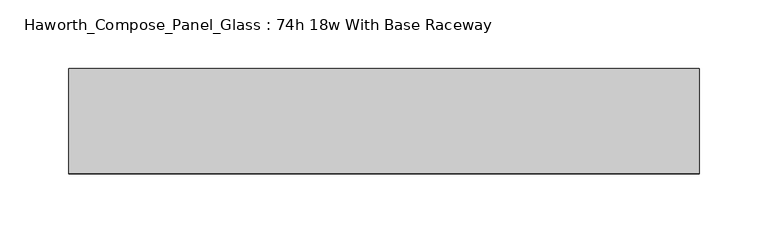
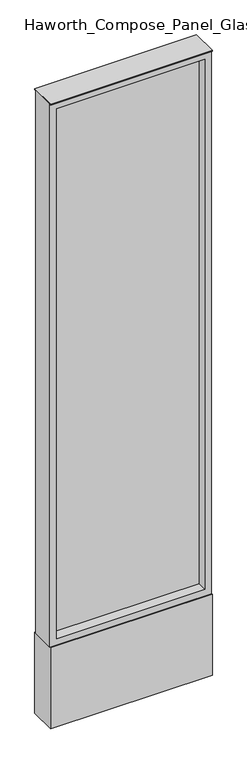
"""IFC4 building model written with IfcOpenShell, lengths in millimetres: furniture geometry, Haworth_Compose_Panel_Glass : 74h 18w With Base Raceway."""

from ifc_helpers import new_model, si_unit, point, frame, frame_2d, origin, origin_with_axes, place, context, project, spatial, polyline, circle_curve, trimmed, segment, composite_curve, outline, extrude, source, transform, mapped, element, save


def haworth_compose_panel_glass_74h_18w_with_base_raceway_08936266(model_context):
    return source(origin(), model_context, "Body", "SweptSolid", [
        extrude(outline(composite_curve([segment(trimmed(circle_curve(frame_2d((154.8402902, 0.0)), 12.7), [point((142.1402902, 0.0))], [point((167.5402902, 0.0))], False, "CARTESIAN"), True, "CONTINUOUS"), segment(trimmed(circle_curve(frame_2d((154.8402902, 0.0)), 12.7), [point((167.5402902, 0.0))], [point((142.1402902, 0.0))], False, "CARTESIAN"), True, "CONTINUOUS")], self_intersect=False)), origin_with_axes(), (0.0, 0.0, 1.0), 12.7),
        extrude(outline(composite_curve([segment(trimmed(circle_curve(frame_2d((-149.9597098, 0.0)), 12.7), [point((-162.6597098, 0.0))], [point((-137.2597098, 0.0))], False, "CARTESIAN"), True, "CONTINUOUS"), segment(trimmed(circle_curve(frame_2d((-149.9597098, 0.0)), 12.7), [point((-137.2597098, 0.0))], [point((-162.6597098, 0.0))], False, "CARTESIAN"), True, "CONTINUOUS")], self_intersect=False)), origin_with_axes(), (0.0, 0.0, 1.0), 12.7),
        extrude(outline(polyline([(211.9902902, -6.35), (-207.1097098, -6.35), (-207.1097098, 6.35), (211.9902902, 6.35), (211.9902902, -6.35)])), frame((0.0, 0.0, 273.05), z_axis=(0.0, 0.0, 1.0), x_axis=(1.0, 0.0, 0.0)), (0.0, 0.0, 1.0), 1581.15),
        extrude(outline(polyline([(1873.25, -226.1597098), (254.0, -226.1597098), (254.0, 231.0402902), (1873.25, 231.0402902), (1873.25, -226.1597098)]), holes=[polyline([(1854.2, 211.9902902), (273.05, 211.9902902), (273.05, -207.1097098), (1854.2, -207.1097098), (1854.2, 211.9902902)])]), frame((0.0, -34.925, 0.0), z_axis=(0.0, 1.0, 0.0), x_axis=(0.0, 0.0, 1.0)), (0.0, 0.0, 1.0), 69.85),
        extrude(outline(polyline([(-226.1597098, 38.1), (231.0402902, 38.1), (231.0402902, -38.1), (-226.1597098, -38.1), (-226.1597098, 38.1)])), frame((0.0, 0.0, 12.7), z_axis=(0.0, 0.0, 1.0), x_axis=(1.0, 0.0, 0.0)), (0.0, 0.0, 1.0), 241.3),
        extrude(outline(polyline([(-226.1597098, -38.1), (-226.1597098, 38.1), (231.0402902, 38.1), (231.0402902, -38.1), (-226.1597098, -38.1)])), frame((0.0, 0.0, 1873.25), z_axis=(0.0, 0.0, 1.0), x_axis=(1.0, 0.0, 0.0)), (0.0, 0.0, 1.0), 3.175),
    ])


if __name__ == "__main__":
    model = new_model("IFC4")
    model_context = context("Model", 3, world=origin())
    ifc_project = project(units=[si_unit("LENGTHUNIT", "METRE", prefix="MILLI")], contexts=[model_context])
    site = spatial("IfcSite", under=ifc_project)
    building = spatial("IfcBuilding", under=site)
    placement = place(None, origin())
    haworth_compose_panel_glass_74h_18w_with_base_raceway_shape = haworth_compose_panel_glass_74h_18w_with_base_raceway_08936266(model_context)
    element("IfcFurniture", 1, ObjectType="Haworth_Compose_Panel_Glass : 74h 18w With Base Raceway", at=placement, inside=building, context=model_context, shape_type="MappedRepresentation", body=[
        mapped(haworth_compose_panel_glass_74h_18w_with_base_raceway_shape, transform((0.0, 0.0, 0.0), x_axis=(1.0, 0.0, 0.0), y_axis=(0.0, 1.0, 0.0), z_axis=(0.0, 0.0, 1.0))),
    ])
    save(model, "model.ifc")
